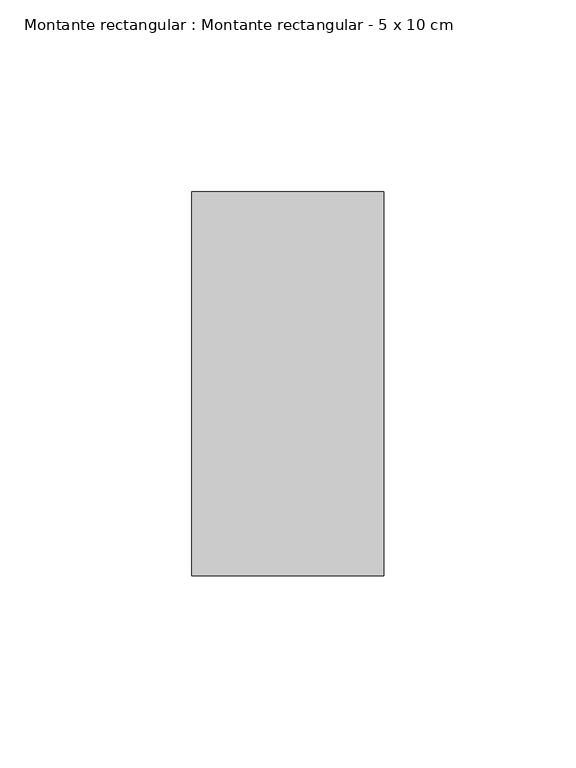
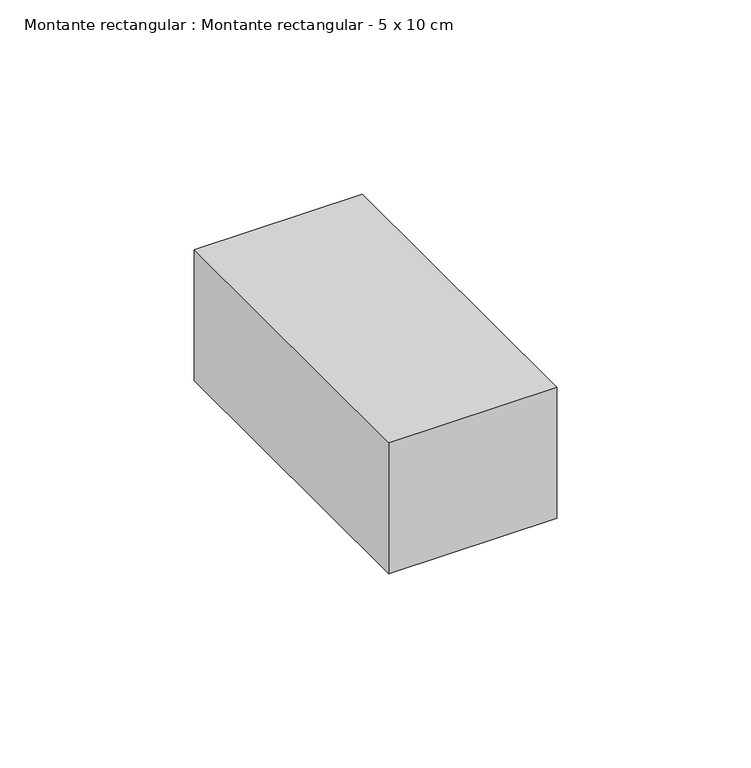
"""IFC4 building model written with IfcOpenShell, lengths in millimetres: member geometry, Montante rectangular : Montante rectangular - 5 x 10 cm."""

from ifc_helpers import new_model, si_unit, frame, origin, place, context, project, spatial, polyline, outline, extrude, source, transform, mapped, element, save


def montante_rectangular_montante_rectangular_5_x_10_cm_aeb03378(model_context):
    return source(origin(), model_context, "Body", "SweptSolid", [
        extrude(outline(polyline([(-50.0, 50.0), (0.0, 50.0), (0.0, -50.0), (-50.0, -50.0), (-50.0, 50.0)])), frame((0.0, 0.0, -41.1), z_axis=(0.0, 0.0, 1.0), x_axis=(1.0, 0.0, 0.0)), (0.0, 0.0, 1.0), 41.1),
    ])


if __name__ == "__main__":
    model = new_model("IFC4")
    model_context = context("Model", 3, world=origin())
    ifc_project = project(units=[si_unit("LENGTHUNIT", "METRE", prefix="MILLI")], contexts=[model_context])
    site = spatial("IfcSite", under=ifc_project)
    building = spatial("IfcBuilding", under=site)
    placement = place(None, origin())
    montante_rectangular_montante_rectangular_5_x_10_cm_shape = montante_rectangular_montante_rectangular_5_x_10_cm_aeb03378(model_context)
    element("IfcMember", 1, ObjectType="Montante rectangular : Montante rectangular - 5 x 10 cm", at=placement, inside=building, context=model_context, shape_type="MappedRepresentation", body=[
        mapped(montante_rectangular_montante_rectangular_5_x_10_cm_shape, transform((0.0, 0.0, 0.0), x_axis=(1.0, 0.0, 0.0), y_axis=(0.0, 1.0, 0.0), z_axis=(0.0, 0.0, 1.0))),
    ])
    save(model, "model.ifc")
